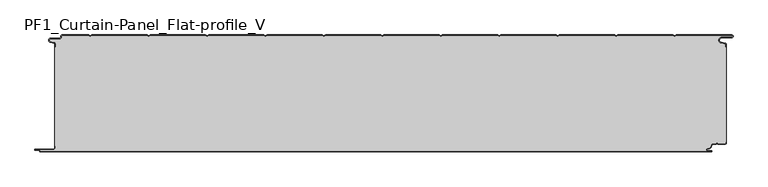
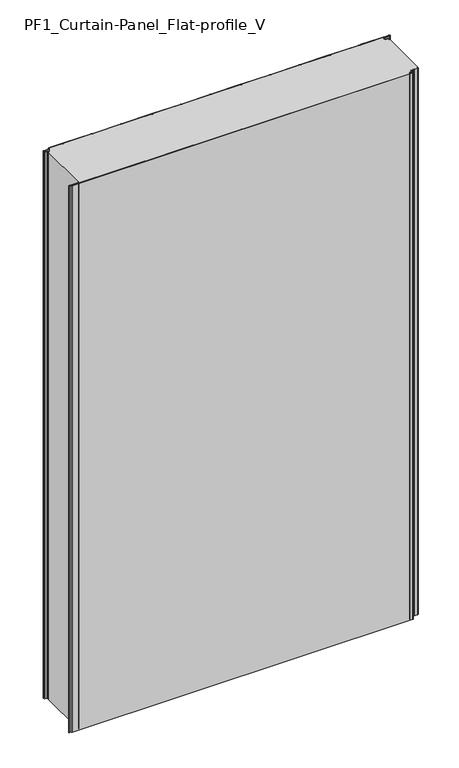
"""IFC4 building model written with IfcOpenShell, lengths in millimetres: plate geometry, PF1_Curtain-Panel_Flat-profile_V."""

from ifc_helpers import new_model, si_unit, point, frame_2d, origin, origin_with_axes, place, context, project, spatial, polyline, circle_curve, trimmed, segment, composite_curve, outline, extrude, source, transform, mapped, element, save


def pf1_curtain_panel_flat_profile_v_0ba20456(model_context):
    return source(origin(), model_context, "Body", "SweptSolid", [
        extrude(outline(composite_curve([segment(trimmed(circle_curve(frame_2d((-577.0, -15.878557)), 2.0), [point((-575.0, -15.878557))], [point((-576.5500978, -13.9298169))], True, "CARTESIAN"), True, "CONTINUOUS"), segment(polyline([(-576.5500978, -13.9298169), (-582.7098239, -12.507732)]), True, "CONTINUOUS"), segment(trimmed(circle_curve(frame_2d((-581.9, -9.0)), 3.6), [point((-582.7098239, -12.507732))], [point((-581.9, -5.4))], False, "CARTESIAN"), True, "CONTINUOUS"), segment(polyline([(-581.9, -5.4), (-566.4, -5.4)]), True, "CONTINUOUS"), segment(trimmed(circle_curve(frame_2d((-566.4, -3.4)), 2.0), [point((-566.4, -5.4))], [point((-564.4, -3.4))], True, "CARTESIAN"), True, "CONTINUOUS"), segment(polyline([(-564.4, -3.4), (-564.4, -2.0)]), True, "CONTINUOUS"), segment(trimmed(circle_curve(frame_2d((-562.4, -2.0)), 2.0), [point((-564.4, -2.0))], [point((-562.4, 0.0))], False, "CARTESIAN"), True, "CONTINUOUS"), segment(polyline([(-562.4, 0.0), (-517.0999995, 0.0), (-514.4, -1.5588455), (-511.7000005, 0.0), (-417.0999995, 0.0), (-414.4, -1.5588455), (-411.7000005, 0.0), (-317.0999995, 0.0), (-314.4, -1.5588455), (-311.7000005, 0.0), (-217.0999995, 0.0), (-214.4, -1.5588455), (-211.7000005, 0.0), (-117.0999995, 0.0), (-114.4, -1.5588455), (-111.7000005, 0.0), (-17.0999995, 0.0), (-14.4, -1.5588455), (-11.7000005, 0.0), (82.9000005, 0.0), (85.6, -1.5588455), (88.2999995, 0.0), (182.9000005, 0.0), (185.6, -1.5588455), (188.2999995, 0.0), (282.9000005, 0.0), (285.6, -1.5588455), (288.2999995, 0.0), (382.9000005, 0.0), (385.6, -1.5588455), (388.2999995, 0.0), (482.9000005, 0.0), (485.6, -1.5588455), (488.2999995, 0.0), (583.268846, 0.0)]), True, "CONTINUOUS"), segment(trimmed(circle_curve(frame_2d((583.268846, -2.5)), 2.5), [point((583.268846, 0.0))], [point((583.268846, -5.0))], False, "CARTESIAN"), True, "CONTINUOUS"), segment(polyline([(583.268846, -5.0), (566.268846, -5.0)]), True, "CONTINUOUS"), segment(trimmed(circle_curve(frame_2d((566.268846, -9.0)), 4.0), [point((566.268846, -5.0))], [point((565.574253, -12.939231))], True, "CARTESIAN"), True, "CONTINUOUS"), segment(polyline([(565.574253, -12.939231), (572.0203315, -14.0758491)]), True, "CONTINUOUS"), segment(trimmed(circle_curve(frame_2d((571.568846, -16.6363492)), 2.6), [point((572.0203315, -14.0758491))], [point((574.168846, -16.6363492))], False, "CARTESIAN"), True, "CONTINUOUS"), segment(polyline([(574.168846, -16.6363492), (574.168846, -20.0), (573.368846, -20.0), (573.368846, -16.6363492)]), True, "CONTINUOUS"), segment(trimmed(circle_curve(frame_2d((571.568846, -16.6363492)), 1.8), [point((573.368846, -16.6363492))], [point((571.8814129, -14.8636953))], True, "CARTESIAN"), True, "CONTINUOUS"), segment(polyline([(571.8814129, -14.8636953), (565.4353344, -13.7270772)]), True, "CONTINUOUS"), segment(trimmed(circle_curve(frame_2d((566.268846, -9.0)), 4.8), [point((565.4353344, -13.7270772))], [point((566.268846, -4.2))], False, "CARTESIAN"), True, "CONTINUOUS"), segment(polyline([(566.268846, -4.2), (583.268846, -4.2)]), True, "CONTINUOUS"), segment(trimmed(circle_curve(frame_2d((583.268846, -2.5)), 1.7), [point((583.268846, -4.2))], [point((583.268846, -0.8))], True, "CARTESIAN"), True, "CONTINUOUS"), segment(polyline([(583.268846, -0.8), (488.5143588, -0.8), (485.6, -2.482606), (482.6856412, -0.8), (388.5143588, -0.8), (385.6, -2.482606), (382.6856412, -0.8), (288.5143588, -0.8), (285.6, -2.482606), (282.6856412, -0.8), (188.5143588, -0.8), (185.6, -2.482606), (182.6856412, -0.8), (88.5143588, -0.8), (85.6, -2.482606), (82.6856412, -0.8), (-11.4856412, -0.8), (-14.4, -2.482606), (-17.3143588, -0.8), (-111.4856412, -0.8), (-114.4, -2.482606), (-117.3143588, -0.8), (-211.4856412, -0.8), (-214.4, -2.482606), (-217.3143588, -0.8), (-311.4856412, -0.8), (-314.4, -2.482606), (-317.3143588, -0.8), (-411.4856412, -0.8), (-414.4, -2.482606), (-417.3143588, -0.8), (-511.4856412, -0.8), (-514.4, -2.482606), (-517.3143588, -0.8), (-562.4, -0.8)]), True, "CONTINUOUS"), segment(trimmed(circle_curve(frame_2d((-562.4, -2.0)), 1.2), [point((-562.4, -0.8))], [point((-563.6, -2.0))], True, "CARTESIAN"), True, "CONTINUOUS"), segment(polyline([(-563.6, -2.0), (-563.6, -3.4)]), True, "CONTINUOUS"), segment(trimmed(circle_curve(frame_2d((-566.4, -3.4)), 2.8), [point((-563.6, -3.4))], [point((-566.4, -6.2))], False, "CARTESIAN"), True, "CONTINUOUS"), segment(polyline([(-566.4, -6.2), (-581.9, -6.2)]), True, "CONTINUOUS"), segment(trimmed(circle_curve(frame_2d((-581.9, -9.0)), 2.8), [point((-581.9, -6.2))], [point((-582.529863, -11.7282362))], True, "CARTESIAN"), True, "CONTINUOUS"), segment(polyline([(-582.529863, -11.7282362), (-576.370137, -13.150321)]), True, "CONTINUOUS"), segment(trimmed(circle_curve(frame_2d((-577.0, -15.878557)), 2.8), [point((-576.370137, -13.150321))], [point((-574.2, -15.878557))], False, "CARTESIAN"), True, "CONTINUOUS"), segment(polyline([(-574.2, -15.878557), (-574.2, -20.0), (-575.0, -20.0), (-575.0, -15.878557)]), True, "CONTINUOUS")], self_intersect=False)), origin_with_axes(), (0.0, 0.0, 1.0), 1945.7507136),
        extrude(outline(composite_curve([segment(polyline([(-574.2, -190.0), (-575.0, -190.0), (-575.0, -20.0), (-574.2, -20.0), (-574.2, -15.878557)]), True, "CONTINUOUS"), segment(trimmed(circle_curve(frame_2d((-577.0, -15.878557)), 2.8), [point((-574.2, -15.878557))], [point((-576.370137, -13.1503208))], True, "CARTESIAN"), True, "CONTINUOUS"), segment(polyline([(-576.370137, -13.1503208), (-582.529863, -11.7282362)]), True, "CONTINUOUS"), segment(trimmed(circle_curve(frame_2d((-581.9, -9.0)), 2.8), [point((-582.529863, -11.7282362))], [point((-581.9, -6.2))], False, "CARTESIAN"), True, "CONTINUOUS"), segment(polyline([(-581.9, -6.2), (-566.4, -6.2)]), True, "CONTINUOUS"), segment(trimmed(circle_curve(frame_2d((-566.4, -3.4)), 2.8), [point((-566.4, -6.2))], [point((-563.6, -3.4))], True, "CARTESIAN"), True, "CONTINUOUS"), segment(polyline([(-563.6, -3.4), (-563.6, -2.0)]), True, "CONTINUOUS"), segment(trimmed(circle_curve(frame_2d((-562.4, -2.0)), 1.2), [point((-563.6, -2.0))], [point((-562.4, -0.8))], False, "CARTESIAN"), True, "CONTINUOUS"), segment(polyline([(-562.4, -0.8), (-517.3143588, -0.8), (-514.4, -2.482606), (-511.4856412, -0.8), (-417.3143588, -0.8), (-414.4, -2.482606), (-411.4856412, -0.8), (-317.3143588, -0.8), (-314.4, -2.482606), (-311.4856412, -0.8), (-217.3143588, -0.8), (-214.4, -2.482606), (-211.4856412, -0.8), (-117.3143588, -0.8), (-114.4, -2.482606), (-111.4856412, -0.8), (-17.3143588, -0.8), (-14.4, -2.482606), (-11.4856412, -0.8), (82.6856412, -0.8), (85.6, -2.482606), (88.5143588, -0.8), (182.6856412, -0.8), (185.6, -2.482606), (188.5143588, -0.8), (282.6856412, -0.8), (285.6, -2.482606), (288.5143588, -0.8), (382.6856412, -0.8), (385.6, -2.482606), (388.5143588, -0.8), (482.6856412, -0.8), (485.6, -2.482606), (488.5143588, -0.8), (583.268846, -0.8)]), True, "CONTINUOUS"), segment(trimmed(circle_curve(frame_2d((583.268846, -2.5)), 1.7), [point((583.268846, -0.8))], [point((583.268846, -4.2))], False, "CARTESIAN"), True, "CONTINUOUS"), segment(polyline([(583.268846, -4.2), (566.268846, -4.2)]), True, "CONTINUOUS"), segment(trimmed(circle_curve(frame_2d((566.268846, -9.0)), 4.8), [point((566.268846, -4.2))], [point((565.4353344, -13.7270772))], True, "CARTESIAN"), True, "CONTINUOUS"), segment(polyline([(565.4353344, -13.7270772), (571.8814129, -14.8636953)]), True, "CONTINUOUS"), segment(trimmed(circle_curve(frame_2d((571.568846, -16.6363492)), 1.8), [point((571.8814129, -14.8636953))], [point((573.368846, -16.6363492))], False, "CARTESIAN"), True, "CONTINUOUS"), segment(polyline([(573.368846, -16.6363492), (573.368846, -20.0), (574.168846, -20.0), (574.168846, -183.0), (573.368846, -183.0), (573.368846, -184.4)]), True, "CONTINUOUS"), segment(trimmed(circle_curve(frame_2d((571.568846, -184.4)), 1.8), [point((573.368846, -184.4))], [point((571.568846, -186.2))], False, "CARTESIAN"), True, "CONTINUOUS"), segment(polyline([(571.568846, -186.2), (560.0002158, -186.2), (558.168846, -184.3686285), (556.3374762, -186.2), (550.168846, -186.2)]), True, "CONTINUOUS"), segment(trimmed(circle_curve(frame_2d((550.168846, -188.0)), 1.8), [point((550.168846, -186.2))], [point((548.368846, -188.0))], True, "CARTESIAN"), True, "CONTINUOUS"), segment(polyline([(548.368846, -188.0), (548.368846, -188.8276204)]), True, "CONTINUOUS"), segment(trimmed(circle_curve(frame_2d((542.9964664, -188.8276204)), 5.3723796), [point((548.368846, -188.8276204))], [point((542.9964664, -194.2))], False, "CARTESIAN"), True, "CONTINUOUS"), segment(polyline([(542.9964664, -194.2), (542.168846, -194.2)]), True, "CONTINUOUS"), segment(trimmed(circle_curve(frame_2d((542.168846, -196.4)), 2.2), [point((542.168846, -194.2))], [point((542.168846, -198.6))], True, "CARTESIAN"), True, "CONTINUOUS"), segment(polyline([(542.168846, -198.6), (548.0579973, -198.6)]), True, "CONTINUOUS"), segment(trimmed(circle_curve(frame_2d((548.0579973, -198.9)), 0.3), [point((548.0579973, -198.6))], [point((548.0579973, -199.2))], False, "CARTESIAN"), True, "CONTINUOUS"), segment(polyline([(548.0579973, -199.2), (-599.4, -199.2)]), True, "CONTINUOUS"), segment(trimmed(circle_curve(frame_2d((-599.4, -198.4)), 0.8), [point((-599.4, -199.2))], [point((-600.2, -198.4))], False, "CARTESIAN"), True, "CONTINUOUS"), segment(trimmed(circle_curve(frame_2d((-601.9, -198.6133333)), 1.7133333), [point((-600.2, -198.4))], [point((-601.9, -196.9))], True, "CARTESIAN"), True, "CONTINUOUS"), segment(polyline([(-601.9, -196.9), (-607.8700312, -196.9)]), True, "CONTINUOUS"), segment(trimmed(circle_curve(frame_2d((-607.8700312, -196.6)), 0.3), [point((-607.8700312, -196.9))], [point((-607.8700312, -196.3))], False, "CARTESIAN"), True, "CONTINUOUS"), segment(polyline([(-607.8700312, -196.3), (-577.0, -196.3)]), True, "CONTINUOUS"), segment(trimmed(circle_curve(frame_2d((-577.0, -193.5)), 2.8), [point((-577.0, -196.3))], [point((-574.2, -193.5))], True, "CARTESIAN"), True, "CONTINUOUS"), segment(polyline([(-574.2, -193.5), (-574.2, -190.0)]), True, "CONTINUOUS")], self_intersect=False)), origin_with_axes(), (0.0, 0.0, 1.0), 1945.7507136),
        extrude(outline(composite_curve([segment(polyline([(-575.0, -190.0), (-574.2, -190.0), (-574.2, -193.5)]), True, "CONTINUOUS"), segment(trimmed(circle_curve(frame_2d((-577.0, -193.5)), 2.8), [point((-574.2, -193.5))], [point((-577.0, -196.3))], False, "CARTESIAN"), True, "CONTINUOUS"), segment(polyline([(-577.0, -196.3), (-607.8700312, -196.3)]), True, "CONTINUOUS"), segment(trimmed(circle_curve(frame_2d((-607.8700312, -196.6)), 0.3), [point((-607.8700312, -196.3))], [point((-607.8700312, -196.9))], True, "CARTESIAN"), True, "CONTINUOUS"), segment(polyline([(-607.8700312, -196.9), (-601.9, -196.9)]), True, "CONTINUOUS"), segment(trimmed(circle_curve(frame_2d((-601.9, -198.6133333)), 1.7133333), [point((-601.9, -196.9))], [point((-600.2, -198.4))], False, "CARTESIAN"), True, "CONTINUOUS"), segment(trimmed(circle_curve(frame_2d((-599.4, -198.4)), 0.8), [point((-600.2, -198.4))], [point((-599.4, -199.2))], True, "CARTESIAN"), True, "CONTINUOUS"), segment(polyline([(-599.4, -199.2), (548.0579973, -199.2)]), True, "CONTINUOUS"), segment(trimmed(circle_curve(frame_2d((548.0579973, -198.9)), 0.3), [point((548.0579973, -199.2))], [point((548.0579973, -198.6))], True, "CARTESIAN"), True, "CONTINUOUS"), segment(polyline([(548.0579973, -198.6), (542.168846, -198.6)]), True, "CONTINUOUS"), segment(trimmed(circle_curve(frame_2d((542.168846, -196.4)), 2.2), [point((542.168846, -198.6))], [point((542.168846, -194.2))], False, "CARTESIAN"), True, "CONTINUOUS"), segment(polyline([(542.168846, -194.2), (542.9964664, -194.2)]), True, "CONTINUOUS"), segment(trimmed(circle_curve(frame_2d((542.9964664, -188.8276204)), 5.3723796), [point((542.9964664, -194.2))], [point((548.368846, -188.8276204))], True, "CARTESIAN"), True, "CONTINUOUS"), segment(polyline([(548.368846, -188.8276204), (548.368846, -188.0)]), True, "CONTINUOUS"), segment(trimmed(circle_curve(frame_2d((550.168846, -188.0)), 1.8), [point((548.368846, -188.0))], [point((550.168846, -186.2))], False, "CARTESIAN"), True, "CONTINUOUS"), segment(polyline([(550.168846, -186.2), (556.3374762, -186.2), (558.168846, -184.3686285), (560.0002158, -186.2), (571.568846, -186.2)]), True, "CONTINUOUS"), segment(trimmed(circle_curve(frame_2d((571.568846, -184.4)), 1.8), [point((571.568846, -186.2))], [point((573.368846, -184.4))], True, "CARTESIAN"), True, "CONTINUOUS"), segment(polyline([(573.368846, -184.4), (573.368846, -183.0), (574.168846, -183.0), (574.168846, -184.4)]), True, "CONTINUOUS"), segment(trimmed(circle_curve(frame_2d((571.568846, -184.4)), 2.6), [point((574.168846, -184.4))], [point((571.568846, -187.0))], False, "CARTESIAN"), True, "CONTINUOUS"), segment(polyline([(571.568846, -187.0), (559.6688448, -187.0), (558.168846, -185.4999999), (556.6688472, -187.0), (550.168846, -187.0)]), True, "CONTINUOUS"), segment(trimmed(circle_curve(frame_2d((550.168846, -188.0)), 1.0), [point((550.168846, -187.0))], [point((549.168846, -188.0))], True, "CARTESIAN"), True, "CONTINUOUS"), segment(polyline([(549.168846, -188.0), (549.168846, -188.8276204)]), True, "CONTINUOUS"), segment(trimmed(circle_curve(frame_2d((542.9964664, -188.8276204)), 6.1723796), [point((549.168846, -188.8276204))], [point((542.9964664, -195.0))], False, "CARTESIAN"), True, "CONTINUOUS"), segment(polyline([(542.9964664, -195.0), (542.168846, -195.0)]), True, "CONTINUOUS"), segment(trimmed(circle_curve(frame_2d((542.168846, -196.5)), 1.5), [point((542.168846, -195.0))], [point((542.168846, -198.0))], True, "CARTESIAN"), True, "CONTINUOUS"), segment(polyline([(542.168846, -198.0), (548.168846, -198.0)]), True, "CONTINUOUS"), segment(trimmed(circle_curve(frame_2d((548.168846, -199.0)), 1.0), [point((548.168846, -198.0))], [point((548.168846, -200.0))], False, "CARTESIAN"), True, "CONTINUOUS"), segment(polyline([(548.168846, -200.0), (-599.4, -200.0)]), True, "CONTINUOUS"), segment(trimmed(circle_curve(frame_2d((-599.4, -198.4)), 1.6), [point((-599.4, -200.0))], [point((-601.0, -198.4))], False, "CARTESIAN"), True, "CONTINUOUS"), segment(trimmed(circle_curve(frame_2d((-601.9, -198.4)), 0.9), [point((-601.0, -198.4))], [point((-601.9, -197.5))], True, "CARTESIAN"), True, "CONTINUOUS"), segment(polyline([(-601.9, -197.5), (-608.0, -197.5)]), True, "CONTINUOUS"), segment(trimmed(circle_curve(frame_2d((-608.0, -196.5)), 1.0), [point((-608.0, -197.5))], [point((-608.0, -195.5))], False, "CARTESIAN"), True, "CONTINUOUS"), segment(polyline([(-608.0, -195.5), (-577.0, -195.5)]), True, "CONTINUOUS"), segment(trimmed(circle_curve(frame_2d((-577.0, -193.5)), 2.0), [point((-577.0, -195.5))], [point((-575.0, -193.5))], True, "CARTESIAN"), True, "CONTINUOUS"), segment(polyline([(-575.0, -193.5), (-575.0, -190.0)]), True, "CONTINUOUS")], self_intersect=False)), origin_with_axes(), (0.0, 0.0, 1.0), 1945.7507136),
    ])


if __name__ == "__main__":
    model = new_model("IFC4")
    model_context = context("Model", 3, world=origin())
    ifc_project = project(units=[si_unit("LENGTHUNIT", "METRE", prefix="MILLI")], contexts=[model_context])
    site = spatial("IfcSite", under=ifc_project)
    building = spatial("IfcBuilding", under=site)
    placement = place(None, origin())
    pf1_curtain_panel_flat_profile_v_shape = pf1_curtain_panel_flat_profile_v_0ba20456(model_context)
    element("IfcPlate", 1, ObjectType="PF1_Curtain-Panel_Flat-profile_V", at=placement, inside=building, context=model_context, shape_type="MappedRepresentation", body=[
        mapped(pf1_curtain_panel_flat_profile_v_shape, transform((0.0, 0.0, 0.0), x_axis=(1.0, 0.0, 0.0), y_axis=(0.0, 1.0, 0.0), z_axis=(0.0, 0.0, 1.0))),
    ])
    save(model, "model.ifc")
